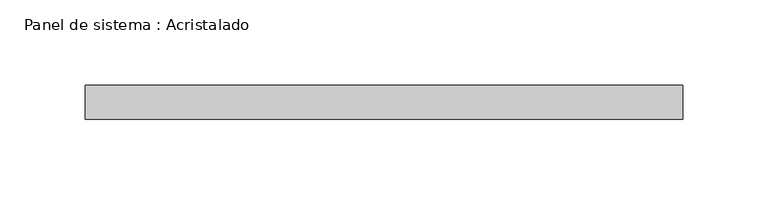
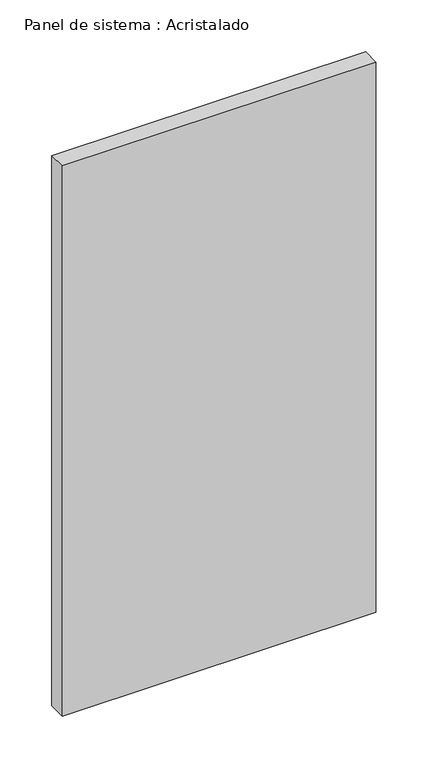
"""IFC4 building model written with IfcOpenShell, lengths in millimetres: plate geometry, Panel de sistema : Acristalado."""

from ifc_helpers import new_model, si_unit, origin, origin_with_axes, place, context, project, spatial, polyline, outline, extrude, source, transform, mapped, element, save


def panel_de_sistema_acristalado_320ce662(model_context):
    return source(origin(), model_context, "Body", "SweptSolid", [
        extrude(outline(polyline([(175.0, -10.0), (-175.0, -10.0), (-175.0, 10.0), (175.0, 10.0), (175.0, -10.0)])), origin_with_axes(), (0.0, 0.0, 1.0), 648.7704445),
    ])


if __name__ == "__main__":
    model = new_model("IFC4")
    model_context = context("Model", 3, world=origin())
    ifc_project = project(units=[si_unit("LENGTHUNIT", "METRE", prefix="MILLI")], contexts=[model_context])
    site = spatial("IfcSite", under=ifc_project)
    building = spatial("IfcBuilding", under=site)
    placement = place(None, origin())
    panel_de_sistema_acristalado_shape = panel_de_sistema_acristalado_320ce662(model_context)
    element("IfcPlate", 1, ObjectType="Panel de sistema : Acristalado", at=placement, inside=building, context=model_context, shape_type="MappedRepresentation", body=[
        mapped(panel_de_sistema_acristalado_shape, transform((0.0, 0.0, 0.0), x_axis=(1.0, 0.0, 0.0), y_axis=(0.0, 1.0, 0.0), z_axis=(0.0, 0.0, 1.0))),
    ])
    save(model, "model.ifc")
